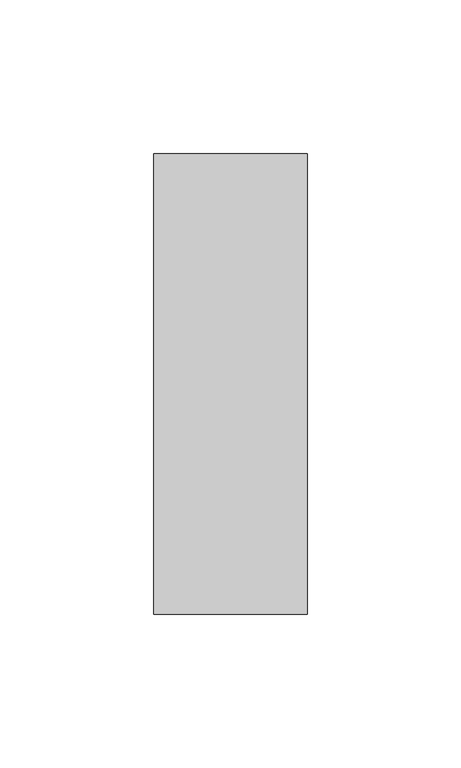
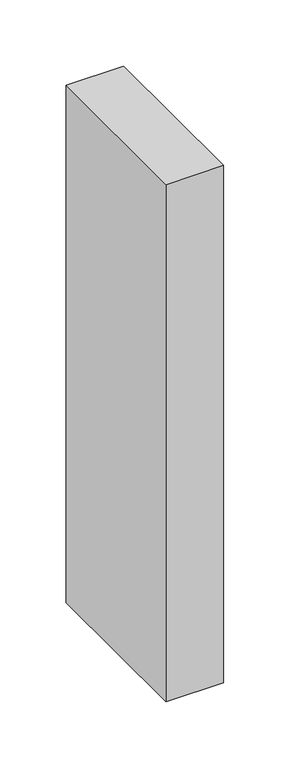
"""IFC4 building model written with IfcOpenShell, lengths in millimetres: member geometry."""

from ifc_helpers import new_model, si_unit, frame, origin, place, context, project, spatial, polyline, outline, extrude, source, transform, mapped, element, save


def member_05a43cda(model_context):
    return source(origin(), model_context, "Body", "SweptSolid", [
        extrude(outline(polyline([(25.0, 75.0), (25.0, -75.0), (-25.0, -75.0), (-25.0, 75.0), (25.0, 75.0)])), frame((0.0, 0.0, -475.0), z_axis=(0.0, 0.0, 1.0), x_axis=(1.0, 0.0, 0.0)), (0.0, 0.0, 1.0), 475.0),
    ])


if __name__ == "__main__":
    model = new_model("IFC4")
    model_context = context("Model", 3, world=origin())
    ifc_project = project(units=[si_unit("LENGTHUNIT", "METRE", prefix="MILLI")], contexts=[model_context])
    site = spatial("IfcSite", under=ifc_project)
    building = spatial("IfcBuilding", under=site)
    placement = place(None, origin())
    member_shape = member_05a43cda(model_context)
    element("IfcMember", 1, at=placement, inside=building, context=model_context, shape_type="MappedRepresentation", body=[
        mapped(member_shape, transform((0.0, 0.0, 0.0), x_axis=(1.0, 0.0, 0.0), y_axis=(0.0, 1.0, 0.0), z_axis=(0.0, 0.0, 1.0))),
    ])
    save(model, "model.ifc")
